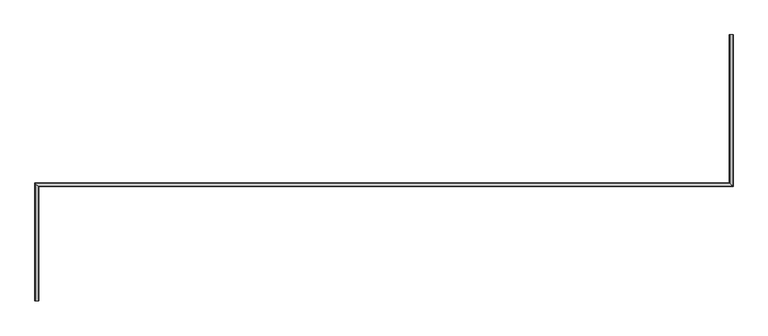
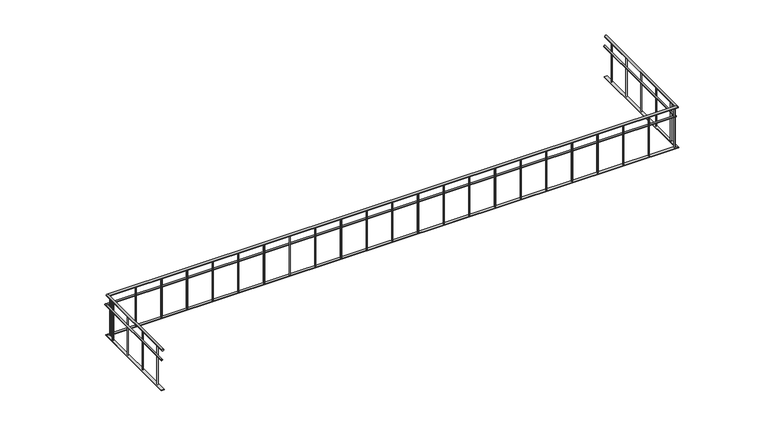
"""IFC4 building model written with IfcOpenShell, lengths in millimetres: railing geometry."""

from ifc_helpers import new_model, si_unit, point, frame, frame_2d, origin, place, context, project, spatial, circle_curve, ellipse_curve, trimmed, segment, composite_curve, outline, extrude, faceted_brep, source, transform, mapped, element, save
from ifc_brep_helpers import plane_surface, cylinder_surface, advanced_brep


def railing_a8475e22(model_context):
    return source(origin(), model_context, "Body", "SolidModel", [
        advanced_brep(
        [(12420.0112841, 11193.1079487, 880.0), (12380.0112841, 11193.1079487, 880.0), (12420.0112841, 8773.1079487, 880.0), (12380.0112841, 8813.1079487, 880.0), (1330.0112841, 8773.1079487, 880.0), (1290.0112841, 8813.1079487, 880.0), (1330.0112841, 6938.1079487, 880.0), (1290.0112841, 6938.1079487, 880.0)],
        [
            (0, 1, circle_curve(frame((12400.0112841, 11193.1079487, 880.0), z_axis=(0.0, 1.0, 0.0), x_axis=(-1.0, 0.0, 0.0)), 20.0)),
            (1, 0, circle_curve(frame((12400.0112841, 11193.1079487, 880.0), z_axis=(0.0, 1.0, 0.0), x_axis=(-1.0, 0.0, 0.0)), 20.0)),
            (0, 2),
            (2, 3, ellipse_curve(frame((12400.0112841, 8793.1079487, 880.0), z_axis=(0.7071067811865492, 0.7071067811865457, 0.0), x_axis=(-0.7071067811865455, 0.7071067811865495, 0.0)), 28.2842712, 20.0)),
            (3, 1),
            (3, 2, ellipse_curve(frame((12400.0112841, 8793.1079487, 880.0), z_axis=(0.7071067811865492, 0.7071067811865457, 0.0), x_axis=(-0.7071067811865455, 0.7071067811865495, 0.0)), 28.2842712, 20.0)),
            (2, 4),
            (4, 5, ellipse_curve(frame((1310.0112841, 8793.1079487, 880.0), z_axis=(0.7071067811865492, 0.7071067811865457, 0.0), x_axis=(0.7071067811865458, -0.7071067811865492, 0.0)), 28.2842712, 20.0)),
            (5, 3),
            (5, 4, ellipse_curve(frame((1310.0112841, 8793.1079487, 880.0), z_axis=(0.7071067811865492, 0.7071067811865457, 0.0), x_axis=(0.7071067811865458, -0.7071067811865492, 0.0)), 28.2842712, 20.0)),
            (6, 7, circle_curve(frame((1310.0112841, 6938.1079487, 880.0), z_axis=(0.0, -1.0, 0.0), x_axis=(-1.0, 0.0, 0.0)), 20.0)),
            (7, 6, circle_curve(frame((1310.0112841, 6938.1079487, 880.0), z_axis=(0.0, -1.0, 0.0), x_axis=(-1.0, 0.0, 0.0)), 20.0)),
            (4, 6),
            (7, 5),
        ],
        [
            plane_surface(frame((12400.0112841, 11193.1079487, 900.0), z_axis=(0.0, 1.0, 0.0), x_axis=(0.0, 0.0, -1.0))),
            cylinder_surface(frame((12400.0112841, 11193.1079487, 880.0), z_axis=(0.0, 1.0, 0.0), x_axis=(-1.0, 0.0, 0.0)), 20.0),
            cylinder_surface(frame((12400.0112841, 8793.1079487, 880.0), z_axis=(1.0, 0.0, 0.0), x_axis=(0.0, 1.0, 0.0)), 20.0),
            plane_surface(frame((1310.0112841, 6938.1079487, 900.0), z_axis=(0.0, -1.0, 0.0), x_axis=(0.0, 0.0, -1.0))),
            cylinder_surface(frame((1310.0112841, 8793.1079487, 880.0), z_axis=(0.0, 1.0, 0.0), x_axis=(-1.0, 0.0, 0.0)), 20.0),
        ],
        [
            (0, [[1, 2]]),
            (1, [[-1, 3, 4, 5]]),
            (1, [[-2, -5, 6, -3]]),
            (2, [[-4, 7, 8, 9]]),
            (2, [[-6, -9, 10, -7]]),
            (3, [[11, 12]]),
            (4, [[-8, 13, -12, 14]]),
            (4, [[-10, -14, -11, -13]]),
        ],
    ),
        advanced_brep(
        [(12395.0112841, 11193.1079487, 685.0), (12365.0112841, 11193.1079487, 685.0), (12395.0112841, 8798.1079487, 685.0), (12365.0112841, 8828.1079487, 685.0), (1305.0112841, 8798.1079487, 685.0), (1275.0112841, 8828.1079487, 685.0), (1305.0112841, 6938.1079487, 685.0), (1275.0112841, 6938.1079487, 685.0)],
        [
            (0, 1, circle_curve(frame((12380.0112841, 11193.1079487, 685.0), z_axis=(0.0, 1.0, 0.0), x_axis=(-1.0, 0.0, 0.0)), 15.0)),
            (1, 0, circle_curve(frame((12380.0112841, 11193.1079487, 685.0), z_axis=(0.0, 1.0, 0.0), x_axis=(-1.0, 0.0, 0.0)), 15.0)),
            (0, 2),
            (2, 3, ellipse_curve(frame((12380.0112841, 8813.1079487, 685.0), z_axis=(0.7071067811865492, 0.7071067811865457, 0.0), x_axis=(-0.7071067811865455, 0.7071067811865495, 0.0)), 21.2132034, 15.0)),
            (3, 1),
            (3, 2, ellipse_curve(frame((12380.0112841, 8813.1079487, 685.0), z_axis=(0.7071067811865492, 0.7071067811865457, 0.0), x_axis=(-0.7071067811865455, 0.7071067811865495, 0.0)), 21.2132034, 15.0)),
            (2, 4),
            (4, 5, ellipse_curve(frame((1290.0112841, 8813.1079487, 685.0), z_axis=(0.7071067811865492, 0.7071067811865457, 0.0), x_axis=(0.7071067811865458, -0.7071067811865492, 0.0)), 21.2132034, 15.0)),
            (5, 3),
            (5, 4, ellipse_curve(frame((1290.0112841, 8813.1079487, 685.0), z_axis=(0.7071067811865492, 0.7071067811865457, 0.0), x_axis=(0.7071067811865458, -0.7071067811865492, 0.0)), 21.2132034, 15.0)),
            (6, 7, circle_curve(frame((1290.0112841, 6938.1079487, 685.0), z_axis=(0.0, -1.0, 0.0), x_axis=(-1.0, 0.0, 0.0)), 15.0)),
            (7, 6, circle_curve(frame((1290.0112841, 6938.1079487, 685.0), z_axis=(0.0, -1.0, 0.0), x_axis=(-1.0, 0.0, 0.0)), 15.0)),
            (4, 6),
            (7, 5),
        ],
        [
            plane_surface(frame((12380.0112841, 11193.1079487, 700.0), z_axis=(0.0, 1.0, 0.0), x_axis=(0.0, 0.0, -1.0))),
            cylinder_surface(frame((12380.0112841, 11193.1079487, 685.0), z_axis=(0.0, 1.0, 0.0), x_axis=(-1.0, 0.0, 0.0)), 15.0),
            cylinder_surface(frame((12380.0112841, 8813.1079487, 685.0), z_axis=(1.0, 0.0, 0.0), x_axis=(0.0, 1.0, 0.0)), 15.0),
            plane_surface(frame((1290.0112841, 6938.1079487, 700.0), z_axis=(0.0, -1.0, 0.0), x_axis=(0.0, 0.0, -1.0))),
            cylinder_surface(frame((1290.0112841, 8813.1079487, 685.0), z_axis=(0.0, 1.0, 0.0), x_axis=(-1.0, 0.0, 0.0)), 15.0),
        ],
        [
            (0, [[1, 2]]),
            (1, [[-1, 3, 4, 5]]),
            (1, [[-2, -5, 6, -3]]),
            (2, [[-4, 7, 8, 9]]),
            (2, [[-6, -9, 10, -7]]),
            (3, [[11, 12]]),
            (4, [[-8, 13, -12, 14]]),
            (4, [[-10, -14, -11, -13]]),
        ],
    ),
        faceted_brep([(12375.0112841, 11193.1079487, 60.0), (12425.0112841, 11193.1079487, 60.0), (12425.0112841, 11193.1079487, 50.0), (12375.0112841, 11193.1079487, 50.0), (12375.0112841, 8818.1079487, 60.0), (12425.0112841, 8768.1079487, 60.0), (12425.0112841, 8768.1079487, 50.0), (12375.0112841, 8818.1079487, 50.0), (1285.0112841, 8818.1079487, 60.0), (1335.0112841, 8768.1079487, 60.0), (1335.0112841, 8768.1079487, 50.0), (1285.0112841, 8818.1079487, 50.0), (1285.0112841, 6938.1079487, 60.0), (1285.0112841, 6938.1079487, 50.0), (1335.0112841, 6938.1079487, 50.0), (1335.0112841, 6938.1079487, 60.0)], [[[0, 1, 2, 3]], [[1, 0, 4, 5]], [[2, 1, 5, 6]], [[3, 2, 6, 7]], [[0, 3, 7, 4]], [[5, 4, 8, 9]], [[6, 5, 9, 10]], [[7, 6, 10, 11]], [[4, 7, 11, 8]], [[12, 13, 14, 15]], [[9, 8, 12, 15]], [[10, 9, 15, 14]], [[11, 10, 14, 13]], [[8, 11, 13, 12]]]),
        extrude(outline(composite_curve([segment(trimmed(circle_curve(frame_2d((1310.0112841, 7115.6079487)), 10.0), [point((1320.0112841, 7115.6079487))], [point((1300.0112841, 7115.6079487))], False, "CARTESIAN"), True, "CONTINUOUS"), segment(trimmed(circle_curve(frame_2d((1310.0112841, 7115.6079487)), 10.0), [point((1300.0112841, 7115.6079487))], [point((1320.0112841, 7115.6079487))], False, "CARTESIAN"), True, "CONTINUOUS")], self_intersect=False)), frame((0.0, 0.0, 60.0), z_axis=(0.0, 0.0, 1.0), x_axis=(1.0, 0.0, 0.0)), (0.0, 0.0, 1.0), 800.0),
        extrude(outline(composite_curve([segment(trimmed(circle_curve(frame_2d((1310.0112841, 7615.6079487)), 10.0), [point((1320.0112841, 7615.6079487))], [point((1300.0112841, 7615.6079487))], False, "CARTESIAN"), True, "CONTINUOUS"), segment(trimmed(circle_curve(frame_2d((1310.0112841, 7615.6079487)), 10.0), [point((1300.0112841, 7615.6079487))], [point((1320.0112841, 7615.6079487))], False, "CARTESIAN"), True, "CONTINUOUS")], self_intersect=False)), frame((0.0, 0.0, 60.0), z_axis=(0.0, 0.0, 1.0), x_axis=(1.0, 0.0, 0.0)), (0.0, 0.0, 1.0), 800.0),
        extrude(outline(composite_curve([segment(trimmed(circle_curve(frame_2d((1310.0112841, 8115.6079487)), 10.0), [point((1320.0112841, 8115.6079487))], [point((1300.0112841, 8115.6079487))], False, "CARTESIAN"), True, "CONTINUOUS"), segment(trimmed(circle_curve(frame_2d((1310.0112841, 8115.6079487)), 10.0), [point((1300.0112841, 8115.6079487))], [point((1320.0112841, 8115.6079487))], False, "CARTESIAN"), True, "CONTINUOUS")], self_intersect=False)), frame((0.0, 0.0, 60.0), z_axis=(0.0, 0.0, 1.0), x_axis=(1.0, 0.0, 0.0)), (0.0, 0.0, 1.0), 800.0),
        extrude(outline(composite_curve([segment(trimmed(circle_curve(frame_2d((1310.0112841, 8615.6079487)), 10.0), [point((1320.0112841, 8615.6079487))], [point((1300.0112841, 8615.6079487))], False, "CARTESIAN"), True, "CONTINUOUS"), segment(trimmed(circle_curve(frame_2d((1310.0112841, 8615.6079487)), 10.0), [point((1300.0112841, 8615.6079487))], [point((1320.0112841, 8615.6079487))], False, "CARTESIAN"), True, "CONTINUOUS")], self_intersect=False)), frame((0.0, 0.0, 60.0), z_axis=(0.0, 0.0, 1.0), x_axis=(1.0, 0.0, 0.0)), (0.0, 0.0, 1.0), 800.0),
        extrude(outline(composite_curve([segment(trimmed(circle_curve(frame_2d((1355.0112841, 8793.1079487)), 10.0), [point((1355.0112841, 8783.1079487))], [point((1355.0112841, 8803.1079487))], False, "CARTESIAN"), True, "CONTINUOUS"), segment(trimmed(circle_curve(frame_2d((1355.0112841, 8793.1079487)), 10.0), [point((1355.0112841, 8803.1079487))], [point((1355.0112841, 8783.1079487))], False, "CARTESIAN"), True, "CONTINUOUS")], self_intersect=False)), frame((0.0, 0.0, 60.0), z_axis=(0.0, 0.0, 1.0), x_axis=(1.0, 0.0, 0.0)), (0.0, 0.0, 1.0), 800.0),
        extrude(outline(composite_curve([segment(trimmed(circle_curve(frame_2d((1855.0112841, 8793.1079487)), 10.0), [point((1855.0112841, 8783.1079487))], [point((1855.0112841, 8803.1079487))], False, "CARTESIAN"), True, "CONTINUOUS"), segment(trimmed(circle_curve(frame_2d((1855.0112841, 8793.1079487)), 10.0), [point((1855.0112841, 8803.1079487))], [point((1855.0112841, 8783.1079487))], False, "CARTESIAN"), True, "CONTINUOUS")], self_intersect=False)), frame((0.0, 0.0, 60.0), z_axis=(0.0, 0.0, 1.0), x_axis=(1.0, 0.0, 0.0)), (0.0, 0.0, 1.0), 800.0),
        extrude(outline(composite_curve([segment(trimmed(circle_curve(frame_2d((2355.0112841, 8793.1079487)), 10.0), [point((2355.0112841, 8783.1079487))], [point((2355.0112841, 8803.1079487))], False, "CARTESIAN"), True, "CONTINUOUS"), segment(trimmed(circle_curve(frame_2d((2355.0112841, 8793.1079487)), 10.0), [point((2355.0112841, 8803.1079487))], [point((2355.0112841, 8783.1079487))], False, "CARTESIAN"), True, "CONTINUOUS")], self_intersect=False)), frame((0.0, 0.0, 60.0), z_axis=(0.0, 0.0, 1.0), x_axis=(1.0, 0.0, 0.0)), (0.0, 0.0, 1.0), 800.0),
        extrude(outline(composite_curve([segment(trimmed(circle_curve(frame_2d((2855.0112841, 8793.1079487)), 10.0), [point((2855.0112841, 8783.1079487))], [point((2855.0112841, 8803.1079487))], False, "CARTESIAN"), True, "CONTINUOUS"), segment(trimmed(circle_curve(frame_2d((2855.0112841, 8793.1079487)), 10.0), [point((2855.0112841, 8803.1079487))], [point((2855.0112841, 8783.1079487))], False, "CARTESIAN"), True, "CONTINUOUS")], self_intersect=False)), frame((0.0, 0.0, 60.0), z_axis=(0.0, 0.0, 1.0), x_axis=(1.0, 0.0, 0.0)), (0.0, 0.0, 1.0), 800.0),
        extrude(outline(composite_curve([segment(trimmed(circle_curve(frame_2d((3355.0112841, 8793.1079487)), 10.0), [point((3355.0112841, 8783.1079487))], [point((3355.0112841, 8803.1079487))], False, "CARTESIAN"), True, "CONTINUOUS"), segment(trimmed(circle_curve(frame_2d((3355.0112841, 8793.1079487)), 10.0), [point((3355.0112841, 8803.1079487))], [point((3355.0112841, 8783.1079487))], False, "CARTESIAN"), True, "CONTINUOUS")], self_intersect=False)), frame((0.0, 0.0, 60.0), z_axis=(0.0, 0.0, 1.0), x_axis=(1.0, 0.0, 0.0)), (0.0, 0.0, 1.0), 800.0),
        extrude(outline(composite_curve([segment(trimmed(circle_curve(frame_2d((3855.0112841, 8793.1079487)), 10.0), [point((3855.0112841, 8783.1079487))], [point((3855.0112841, 8803.1079487))], False, "CARTESIAN"), True, "CONTINUOUS"), segment(trimmed(circle_curve(frame_2d((3855.0112841, 8793.1079487)), 10.0), [point((3855.0112841, 8803.1079487))], [point((3855.0112841, 8783.1079487))], False, "CARTESIAN"), True, "CONTINUOUS")], self_intersect=False)), frame((0.0, 0.0, 60.0), z_axis=(0.0, 0.0, 1.0), x_axis=(1.0, 0.0, 0.0)), (0.0, 0.0, 1.0), 800.0),
        extrude(outline(composite_curve([segment(trimmed(circle_curve(frame_2d((4355.0112841, 8793.1079487)), 10.0), [point((4355.0112841, 8783.1079487))], [point((4355.0112841, 8803.1079487))], False, "CARTESIAN"), True, "CONTINUOUS"), segment(trimmed(circle_curve(frame_2d((4355.0112841, 8793.1079487)), 10.0), [point((4355.0112841, 8803.1079487))], [point((4355.0112841, 8783.1079487))], False, "CARTESIAN"), True, "CONTINUOUS")], self_intersect=False)), frame((0.0, 0.0, 60.0), z_axis=(0.0, 0.0, 1.0), x_axis=(1.0, 0.0, 0.0)), (0.0, 0.0, 1.0), 800.0),
        extrude(outline(composite_curve([segment(trimmed(circle_curve(frame_2d((4855.0112841, 8793.1079487)), 10.0), [point((4855.0112841, 8783.1079487))], [point((4855.0112841, 8803.1079487))], False, "CARTESIAN"), True, "CONTINUOUS"), segment(trimmed(circle_curve(frame_2d((4855.0112841, 8793.1079487)), 10.0), [point((4855.0112841, 8803.1079487))], [point((4855.0112841, 8783.1079487))], False, "CARTESIAN"), True, "CONTINUOUS")], self_intersect=False)), frame((0.0, 0.0, 60.0), z_axis=(0.0, 0.0, 1.0), x_axis=(1.0, 0.0, 0.0)), (0.0, 0.0, 1.0), 800.0),
        extrude(outline(composite_curve([segment(trimmed(circle_curve(frame_2d((5355.0112841, 8793.1079487)), 10.0), [point((5355.0112841, 8783.1079487))], [point((5355.0112841, 8803.1079487))], False, "CARTESIAN"), True, "CONTINUOUS"), segment(trimmed(circle_curve(frame_2d((5355.0112841, 8793.1079487)), 10.0), [point((5355.0112841, 8803.1079487))], [point((5355.0112841, 8783.1079487))], False, "CARTESIAN"), True, "CONTINUOUS")], self_intersect=False)), frame((0.0, 0.0, 60.0), z_axis=(0.0, 0.0, 1.0), x_axis=(1.0, 0.0, 0.0)), (0.0, 0.0, 1.0), 800.0),
        extrude(outline(composite_curve([segment(trimmed(circle_curve(frame_2d((5855.0112841, 8793.1079487)), 10.0), [point((5855.0112841, 8783.1079487))], [point((5855.0112841, 8803.1079487))], False, "CARTESIAN"), True, "CONTINUOUS"), segment(trimmed(circle_curve(frame_2d((5855.0112841, 8793.1079487)), 10.0), [point((5855.0112841, 8803.1079487))], [point((5855.0112841, 8783.1079487))], False, "CARTESIAN"), True, "CONTINUOUS")], self_intersect=False)), frame((0.0, 0.0, 60.0), z_axis=(0.0, 0.0, 1.0), x_axis=(1.0, 0.0, 0.0)), (0.0, 0.0, 1.0), 800.0),
        extrude(outline(composite_curve([segment(trimmed(circle_curve(frame_2d((6355.0112841, 8793.1079487)), 10.0), [point((6355.0112841, 8783.1079487))], [point((6355.0112841, 8803.1079487))], False, "CARTESIAN"), True, "CONTINUOUS"), segment(trimmed(circle_curve(frame_2d((6355.0112841, 8793.1079487)), 10.0), [point((6355.0112841, 8803.1079487))], [point((6355.0112841, 8783.1079487))], False, "CARTESIAN"), True, "CONTINUOUS")], self_intersect=False)), frame((0.0, 0.0, 60.0), z_axis=(0.0, 0.0, 1.0), x_axis=(1.0, 0.0, 0.0)), (0.0, 0.0, 1.0), 800.0),
        extrude(outline(composite_curve([segment(trimmed(circle_curve(frame_2d((6855.0112841, 8793.1079487)), 10.0), [point((6855.0112841, 8783.1079487))], [point((6855.0112841, 8803.1079487))], False, "CARTESIAN"), True, "CONTINUOUS"), segment(trimmed(circle_curve(frame_2d((6855.0112841, 8793.1079487)), 10.0), [point((6855.0112841, 8803.1079487))], [point((6855.0112841, 8783.1079487))], False, "CARTESIAN"), True, "CONTINUOUS")], self_intersect=False)), frame((0.0, 0.0, 60.0), z_axis=(0.0, 0.0, 1.0), x_axis=(1.0, 0.0, 0.0)), (0.0, 0.0, 1.0), 800.0),
        extrude(outline(composite_curve([segment(trimmed(circle_curve(frame_2d((7355.0112841, 8793.1079487)), 10.0), [point((7355.0112841, 8783.1079487))], [point((7355.0112841, 8803.1079487))], False, "CARTESIAN"), True, "CONTINUOUS"), segment(trimmed(circle_curve(frame_2d((7355.0112841, 8793.1079487)), 10.0), [point((7355.0112841, 8803.1079487))], [point((7355.0112841, 8783.1079487))], False, "CARTESIAN"), True, "CONTINUOUS")], self_intersect=False)), frame((0.0, 0.0, 60.0), z_axis=(0.0, 0.0, 1.0), x_axis=(1.0, 0.0, 0.0)), (0.0, 0.0, 1.0), 800.0),
        extrude(outline(composite_curve([segment(trimmed(circle_curve(frame_2d((7855.0112841, 8793.1079487)), 10.0), [point((7855.0112841, 8783.1079487))], [point((7855.0112841, 8803.1079487))], False, "CARTESIAN"), True, "CONTINUOUS"), segment(trimmed(circle_curve(frame_2d((7855.0112841, 8793.1079487)), 10.0), [point((7855.0112841, 8803.1079487))], [point((7855.0112841, 8783.1079487))], False, "CARTESIAN"), True, "CONTINUOUS")], self_intersect=False)), frame((0.0, 0.0, 60.0), z_axis=(0.0, 0.0, 1.0), x_axis=(1.0, 0.0, 0.0)), (0.0, 0.0, 1.0), 800.0),
        extrude(outline(composite_curve([segment(trimmed(circle_curve(frame_2d((8355.0112841, 8793.1079487)), 10.0), [point((8355.0112841, 8783.1079487))], [point((8355.0112841, 8803.1079487))], False, "CARTESIAN"), True, "CONTINUOUS"), segment(trimmed(circle_curve(frame_2d((8355.0112841, 8793.1079487)), 10.0), [point((8355.0112841, 8803.1079487))], [point((8355.0112841, 8783.1079487))], False, "CARTESIAN"), True, "CONTINUOUS")], self_intersect=False)), frame((0.0, 0.0, 60.0), z_axis=(0.0, 0.0, 1.0), x_axis=(1.0, 0.0, 0.0)), (0.0, 0.0, 1.0), 800.0),
        extrude(outline(composite_curve([segment(trimmed(circle_curve(frame_2d((8855.0112841, 8793.1079487)), 10.0), [point((8855.0112841, 8783.1079487))], [point((8855.0112841, 8803.1079487))], False, "CARTESIAN"), True, "CONTINUOUS"), segment(trimmed(circle_curve(frame_2d((8855.0112841, 8793.1079487)), 10.0), [point((8855.0112841, 8803.1079487))], [point((8855.0112841, 8783.1079487))], False, "CARTESIAN"), True, "CONTINUOUS")], self_intersect=False)), frame((0.0, 0.0, 60.0), z_axis=(0.0, 0.0, 1.0), x_axis=(1.0, 0.0, 0.0)), (0.0, 0.0, 1.0), 800.0),
        extrude(outline(composite_curve([segment(trimmed(circle_curve(frame_2d((9355.0112841, 8793.1079487)), 10.0), [point((9355.0112841, 8783.1079487))], [point((9355.0112841, 8803.1079487))], False, "CARTESIAN"), True, "CONTINUOUS"), segment(trimmed(circle_curve(frame_2d((9355.0112841, 8793.1079487)), 10.0), [point((9355.0112841, 8803.1079487))], [point((9355.0112841, 8783.1079487))], False, "CARTESIAN"), True, "CONTINUOUS")], self_intersect=False)), frame((0.0, 0.0, 60.0), z_axis=(0.0, 0.0, 1.0), x_axis=(1.0, 0.0, 0.0)), (0.0, 0.0, 1.0), 800.0),
        extrude(outline(composite_curve([segment(trimmed(circle_curve(frame_2d((9855.0112841, 8793.1079487)), 10.0), [point((9855.0112841, 8783.1079487))], [point((9855.0112841, 8803.1079487))], False, "CARTESIAN"), True, "CONTINUOUS"), segment(trimmed(circle_curve(frame_2d((9855.0112841, 8793.1079487)), 10.0), [point((9855.0112841, 8803.1079487))], [point((9855.0112841, 8783.1079487))], False, "CARTESIAN"), True, "CONTINUOUS")], self_intersect=False)), frame((0.0, 0.0, 60.0), z_axis=(0.0, 0.0, 1.0), x_axis=(1.0, 0.0, 0.0)), (0.0, 0.0, 1.0), 800.0),
        extrude(outline(composite_curve([segment(trimmed(circle_curve(frame_2d((10355.0112841, 8793.1079487)), 10.0), [point((10355.0112841, 8783.1079487))], [point((10355.0112841, 8803.1079487))], False, "CARTESIAN"), True, "CONTINUOUS"), segment(trimmed(circle_curve(frame_2d((10355.0112841, 8793.1079487)), 10.0), [point((10355.0112841, 8803.1079487))], [point((10355.0112841, 8783.1079487))], False, "CARTESIAN"), True, "CONTINUOUS")], self_intersect=False)), frame((0.0, 0.0, 60.0), z_axis=(0.0, 0.0, 1.0), x_axis=(1.0, 0.0, 0.0)), (0.0, 0.0, 1.0), 800.0),
        extrude(outline(composite_curve([segment(trimmed(circle_curve(frame_2d((10855.0112841, 8793.1079487)), 10.0), [point((10855.0112841, 8783.1079487))], [point((10855.0112841, 8803.1079487))], False, "CARTESIAN"), True, "CONTINUOUS"), segment(trimmed(circle_curve(frame_2d((10855.0112841, 8793.1079487)), 10.0), [point((10855.0112841, 8803.1079487))], [point((10855.0112841, 8783.1079487))], False, "CARTESIAN"), True, "CONTINUOUS")], self_intersect=False)), frame((0.0, 0.0, 60.0), z_axis=(0.0, 0.0, 1.0), x_axis=(1.0, 0.0, 0.0)), (0.0, 0.0, 1.0), 800.0),
        extrude(outline(composite_curve([segment(trimmed(circle_curve(frame_2d((11355.0112841, 8793.1079487)), 10.0), [point((11355.0112841, 8783.1079487))], [point((11355.0112841, 8803.1079487))], False, "CARTESIAN"), True, "CONTINUOUS"), segment(trimmed(circle_curve(frame_2d((11355.0112841, 8793.1079487)), 10.0), [point((11355.0112841, 8803.1079487))], [point((11355.0112841, 8783.1079487))], False, "CARTESIAN"), True, "CONTINUOUS")], self_intersect=False)), frame((0.0, 0.0, 60.0), z_axis=(0.0, 0.0, 1.0), x_axis=(1.0, 0.0, 0.0)), (0.0, 0.0, 1.0), 800.0),
        extrude(outline(composite_curve([segment(trimmed(circle_curve(frame_2d((11855.0112841, 8793.1079487)), 10.0), [point((11855.0112841, 8783.1079487))], [point((11855.0112841, 8803.1079487))], False, "CARTESIAN"), True, "CONTINUOUS"), segment(trimmed(circle_curve(frame_2d((11855.0112841, 8793.1079487)), 10.0), [point((11855.0112841, 8803.1079487))], [point((11855.0112841, 8783.1079487))], False, "CARTESIAN"), True, "CONTINUOUS")], self_intersect=False)), frame((0.0, 0.0, 60.0), z_axis=(0.0, 0.0, 1.0), x_axis=(1.0, 0.0, 0.0)), (0.0, 0.0, 1.0), 800.0),
        extrude(outline(composite_curve([segment(trimmed(circle_curve(frame_2d((12355.0112841, 8793.1079487)), 10.0), [point((12355.0112841, 8783.1079487))], [point((12355.0112841, 8803.1079487))], False, "CARTESIAN"), True, "CONTINUOUS"), segment(trimmed(circle_curve(frame_2d((12355.0112841, 8793.1079487)), 10.0), [point((12355.0112841, 8803.1079487))], [point((12355.0112841, 8783.1079487))], False, "CARTESIAN"), True, "CONTINUOUS")], self_intersect=False)), frame((0.0, 0.0, 60.0), z_axis=(0.0, 0.0, 1.0), x_axis=(1.0, 0.0, 0.0)), (0.0, 0.0, 1.0), 800.0),
        extrude(outline(composite_curve([segment(trimmed(circle_curve(frame_2d((12400.0112841, 8993.1079487)), 10.0), [point((12410.0112841, 8993.1079487))], [point((12390.0112841, 8993.1079487))], False, "CARTESIAN"), True, "CONTINUOUS"), segment(trimmed(circle_curve(frame_2d((12400.0112841, 8993.1079487)), 10.0), [point((12390.0112841, 8993.1079487))], [point((12410.0112841, 8993.1079487))], False, "CARTESIAN"), True, "CONTINUOUS")], self_intersect=False)), frame((0.0, 0.0, 60.0), z_axis=(0.0, 0.0, 1.0), x_axis=(1.0, 0.0, 0.0)), (0.0, 0.0, 1.0), 800.0),
        extrude(outline(composite_curve([segment(trimmed(circle_curve(frame_2d((12400.0112841, 9493.1079487)), 10.0), [point((12410.0112841, 9493.1079487))], [point((12390.0112841, 9493.1079487))], False, "CARTESIAN"), True, "CONTINUOUS"), segment(trimmed(circle_curve(frame_2d((12400.0112841, 9493.1079487)), 10.0), [point((12390.0112841, 9493.1079487))], [point((12410.0112841, 9493.1079487))], False, "CARTESIAN"), True, "CONTINUOUS")], self_intersect=False)), frame((0.0, 0.0, 60.0), z_axis=(0.0, 0.0, 1.0), x_axis=(1.0, 0.0, 0.0)), (0.0, 0.0, 1.0), 800.0),
        extrude(outline(composite_curve([segment(trimmed(circle_curve(frame_2d((12400.0112841, 9993.1079487)), 10.0), [point((12410.0112841, 9993.1079487))], [point((12390.0112841, 9993.1079487))], False, "CARTESIAN"), True, "CONTINUOUS"), segment(trimmed(circle_curve(frame_2d((12400.0112841, 9993.1079487)), 10.0), [point((12390.0112841, 9993.1079487))], [point((12410.0112841, 9993.1079487))], False, "CARTESIAN"), True, "CONTINUOUS")], self_intersect=False)), frame((0.0, 0.0, 60.0), z_axis=(0.0, 0.0, 1.0), x_axis=(1.0, 0.0, 0.0)), (0.0, 0.0, 1.0), 800.0),
        extrude(outline(composite_curve([segment(trimmed(circle_curve(frame_2d((12400.0112841, 10493.1079487)), 10.0), [point((12410.0112841, 10493.1079487))], [point((12390.0112841, 10493.1079487))], False, "CARTESIAN"), True, "CONTINUOUS"), segment(trimmed(circle_curve(frame_2d((12400.0112841, 10493.1079487)), 10.0), [point((12390.0112841, 10493.1079487))], [point((12410.0112841, 10493.1079487))], False, "CARTESIAN"), True, "CONTINUOUS")], self_intersect=False)), frame((0.0, 0.0, 60.0), z_axis=(0.0, 0.0, 1.0), x_axis=(1.0, 0.0, 0.0)), (0.0, 0.0, 1.0), 800.0),
        extrude(outline(composite_curve([segment(trimmed(circle_curve(frame_2d((12400.0112841, 10993.1079487)), 10.0), [point((12410.0112841, 10993.1079487))], [point((12390.0112841, 10993.1079487))], False, "CARTESIAN"), True, "CONTINUOUS"), segment(trimmed(circle_curve(frame_2d((12400.0112841, 10993.1079487)), 10.0), [point((12390.0112841, 10993.1079487))], [point((12410.0112841, 10993.1079487))], False, "CARTESIAN"), True, "CONTINUOUS")], self_intersect=False)), frame((0.0, 0.0, 60.0), z_axis=(0.0, 0.0, 1.0), x_axis=(1.0, 0.0, 0.0)), (0.0, 0.0, 1.0), 800.0),
    ])


if __name__ == "__main__":
    model = new_model("IFC4")
    model_context = context("Model", 3, world=origin())
    ifc_project = project(units=[si_unit("LENGTHUNIT", "METRE", prefix="MILLI")], contexts=[model_context])
    site = spatial("IfcSite", under=ifc_project)
    building = spatial("IfcBuilding", under=site)
    placement = place(None, origin())
    railing_shape = railing_a8475e22(model_context)
    element("IfcRailing", 1, at=placement, inside=building, context=model_context, shape_type="MappedRepresentation", body=[
        mapped(railing_shape, transform((0.0, 0.0, 0.0), x_axis=(1.0, 0.0, 0.0), y_axis=(0.0, 1.0, 0.0), z_axis=(0.0, 0.0, 1.0))),
    ])
    save(model, "model.ifc")
